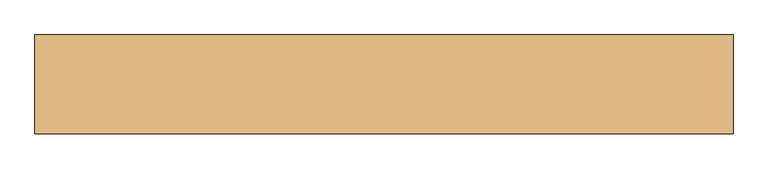
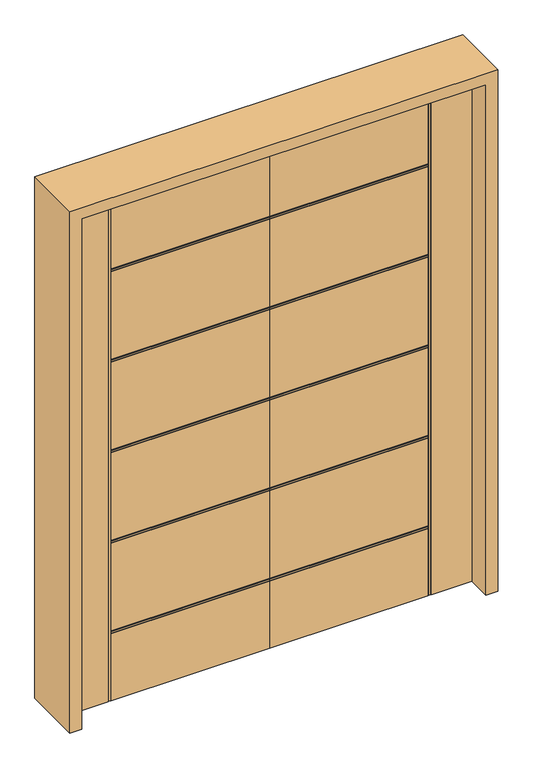
"""IFC4 building model written with IfcOpenShell, lengths in millimetres: door geometry."""

from ifc_helpers import new_model, si_unit, frame, origin, place, context, project, spatial, polyline, outline, extrude, faceted_brep, source, transform, mapped, element, save


def door_464bfd83(model_context):
    return source(origin(), model_context, "Body", "SolidModel", [
        faceted_brep([(0.0, -22.225, 0.0), (-596.9, -22.225, 0.0), (-596.9, -18.923, 0.0), (-600.202, -18.923, 0.0), (-600.202, -22.225, 0.0), (-606.298, -22.225, 0.0), (-606.298, -18.923, 0.0), (-609.6, -18.923, 0.0), (-609.6, -22.225, 0.0), (-762.0, -22.225, 0.0), (-762.0, 22.225, 0.0), (-609.6, 22.225, 0.0), (-609.6, 18.923, 0.0), (-606.298, 18.923, 0.0), (-606.298, 22.225, 0.0), (-600.202, 22.225, 0.0), (-600.202, 18.923, 0.0), (-596.9, 18.923, 0.0), (-596.9, 22.225, 0.0), (0.0, 22.225, 0.0), (0.0, -22.225, 2032.0), (0.0, -22.225, 1719.838), (0.0, -18.923, 1719.838), (0.0, -18.923, 1716.536), (0.0, -22.225, 1716.536), (0.0, -22.225, 1710.44), (0.0, -18.923, 1710.44), (0.0, -18.923, 1707.138), (0.0, -22.225, 1707.138), (0.0, -22.225, 1359.412), (0.0, -18.923, 1359.412), (0.0, -18.923, 1356.11), (0.0, -22.225, 1356.11), (0.0, -22.225, 1350.014), (0.0, -18.923, 1350.014), (0.0, -18.923, 1346.712), (0.0, -22.225, 1346.712), (0.0, -22.225, 998.986), (0.0, -18.923, 998.986), (0.0, -18.923, 995.684), (0.0, -22.225, 995.684), (0.0, -22.225, 989.588), (0.0, -18.923, 989.588), (0.0, -18.923, 986.286), (0.0, -22.225, 986.286), (0.0, -22.225, 638.56), (0.0, -18.923, 638.56), (0.0, -18.923, 635.258), (0.0, -22.225, 635.258), (0.0, -22.225, 629.162), (0.0, -18.923, 629.162), (0.0, -18.923, 625.86), (0.0, -22.225, 625.86), (0.0, -22.225, 278.134), (0.0, -18.923, 278.134), (0.0, -18.923, 274.832), (0.0, -22.225, 274.832), (0.0, -22.225, 268.736), (0.0, -18.923, 268.736), (0.0, -18.923, 265.434), (0.0, -22.225, 265.434), (0.0, 22.225, 265.434), (0.0, 18.923, 265.434), (0.0, 18.923, 268.736), (0.0, 22.225, 268.736), (0.0, 22.225, 274.832), (0.0, 18.923, 274.832), (0.0, 18.923, 278.134), (0.0, 22.225, 278.134), (0.0, 22.225, 625.86), (0.0, 18.923, 625.86), (0.0, 18.923, 629.162), (0.0, 22.225, 629.162), (0.0, 22.225, 635.258), (0.0, 18.923, 635.258), (0.0, 18.923, 638.56), (0.0, 22.225, 638.56), (0.0, 22.225, 986.286), (0.0, 18.923, 986.286), (0.0, 18.923, 989.588), (0.0, 22.225, 989.588), (0.0, 22.225, 995.684), (0.0, 18.923, 995.684), (0.0, 18.923, 998.986), (0.0, 22.225, 998.986), (0.0, 22.225, 1346.712), (0.0, 18.923, 1346.712), (0.0, 18.923, 1350.014), (0.0, 22.225, 1350.014), (0.0, 22.225, 1356.11), (0.0, 18.923, 1356.11), (0.0, 18.923, 1359.412), (0.0, 22.225, 1359.412), (0.0, 22.225, 1707.138), (0.0, 18.923, 1707.138), (0.0, 18.923, 1710.44), (0.0, 22.225, 1710.44), (0.0, 22.225, 1716.536), (0.0, 18.923, 1716.536), (0.0, 18.923, 1719.838), (0.0, 22.225, 1719.838), (0.0, 22.225, 2032.0), (-596.9, 22.225, 1719.838), (-596.9, 22.225, 2032.0), (-600.202, 22.225, 2032.0), (-606.298, 22.225, 2032.0), (-596.9, 22.225, 265.434), (-596.9, 22.225, 268.736), (-596.9, 22.225, 274.832), (-596.9, 22.225, 278.134), (-596.9, 22.225, 625.86), (-596.9, 22.225, 629.162), (-596.9, 22.225, 635.258), (-596.9, 22.225, 638.56), (-596.9, 22.225, 986.286), (-596.9, 22.225, 989.588), (-596.9, 22.225, 995.684), (-596.9, 22.225, 998.986), (-596.9, 22.225, 1346.712), (-596.9, 22.225, 1710.44), (-596.9, 22.225, 1716.536), (-596.9, 22.225, 1350.014), (-596.9, 22.225, 1356.11), (-596.9, 22.225, 1359.412), (-596.9, 22.225, 1707.138), (-762.0, 22.225, 2032.0), (-609.6, 22.225, 2032.0), (-762.0, -22.225, 2032.0), (-609.6, -22.225, 2032.0), (-596.9, -22.225, 265.434), (-606.298, -22.225, 2032.0), (-600.202, -22.225, 2032.0), (-596.9, -22.225, 274.832), (-596.9, -22.225, 268.736), (-596.9, -22.225, 625.86), (-596.9, -22.225, 278.134), (-596.9, -22.225, 635.258), (-596.9, -22.225, 629.162), (-596.9, -22.225, 986.286), (-596.9, -22.225, 638.56), (-596.9, -22.225, 995.684), (-596.9, -22.225, 989.588), (-596.9, -22.225, 2032.0), (-596.9, -22.225, 1719.838), (-596.9, -22.225, 1716.536), (-596.9, -22.225, 1710.44), (-596.9, -22.225, 1346.712), (-596.9, -22.225, 998.986), (-596.9, -22.225, 1356.11), (-596.9, -22.225, 1350.014), (-596.9, -22.225, 1707.138), (-596.9, -22.225, 1359.412), (-609.6, -18.923, 2032.0), (-606.298, -18.923, 2032.0), (-600.202, -18.923, 2032.0), (-596.9, -18.923, 2032.0), (-596.9, 18.923, 2032.0), (-600.202, 18.923, 2032.0), (-606.298, 18.923, 2032.0), (-609.6, 18.923, 2032.0), (-596.9, 18.923, 265.434), (-596.9, 18.923, 1719.838), (-596.9, 18.923, 1716.536), (-596.9, 18.923, 1710.44), (-596.9, 18.923, 1707.138), (-596.9, 18.923, 1359.412), (-596.9, 18.923, 1356.11), (-596.9, 18.923, 1350.014), (-596.9, 18.923, 1346.712), (-596.9, 18.923, 998.986), (-596.9, 18.923, 995.684), (-596.9, 18.923, 989.588), (-596.9, 18.923, 986.286), (-596.9, 18.923, 638.56), (-596.9, 18.923, 635.258), (-596.9, 18.923, 629.162), (-596.9, 18.923, 625.86), (-596.9, 18.923, 278.134), (-596.9, 18.923, 274.832), (-596.9, 18.923, 268.736), (-596.9, -18.923, 265.434), (-596.9, -18.923, 268.736), (-596.9, -18.923, 274.832), (-596.9, -18.923, 278.134), (-596.9, -18.923, 625.86), (-596.9, -18.923, 629.162), (-596.9, -18.923, 635.258), (-596.9, -18.923, 638.56), (-596.9, -18.923, 986.286), (-596.9, -18.923, 989.588), (-596.9, -18.923, 995.684), (-596.9, -18.923, 998.986), (-596.9, -18.923, 1346.712), (-596.9, -18.923, 1350.014), (-596.9, -18.923, 1356.11), (-596.9, -18.923, 1359.412), (-596.9, -18.923, 1707.138), (-596.9, -18.923, 1710.44), (-596.9, -18.923, 1716.536), (-596.9, -18.923, 1719.838)], [[[0, 1, 2, 3, 4, 5, 6, 7, 8, 9, 10, 11, 12, 13, 14, 15, 16, 17, 18, 19]], [[20, 21, 22, 23, 24, 25, 26, 27, 28, 29, 30, 31, 32, 33, 34, 35, 36, 37, 38, 39, 40, 41, 42, 43, 44, 45, 46, 47, 48, 49, 50, 51, 52, 53, 54, 55, 56, 57, 58, 59, 60, 0, 19, 61, 62, 63, 64, 65, 66, 67, 68, 69, 70, 71, 72, 73, 74, 75, 76, 77, 78, 79, 80, 81, 82, 83, 84, 85, 86, 87, 88, 89, 90, 91, 92, 93, 94, 95, 96, 97, 98, 99, 100, 101]], [[101, 100, 102, 103]], [[104, 15, 14, 105]], [[18, 106, 61, 19]], [[64, 107, 108, 65]], [[68, 109, 110, 69]], [[72, 111, 112, 73]], [[76, 113, 114, 77]], [[80, 115, 116, 81]], [[84, 117, 118, 85]], [[96, 119, 120, 97]], [[88, 121, 122, 89]], [[92, 123, 124, 93]], [[125, 126, 11, 10]], [[125, 10, 9, 127]], [[9, 8, 128, 127]], [[0, 60, 129, 1]], [[130, 5, 4, 131]], [[56, 132, 133, 57]], [[52, 134, 135, 53]], [[48, 136, 137, 49]], [[44, 138, 139, 45]], [[40, 140, 141, 41]], [[142, 143, 21, 20]], [[24, 144, 145, 25]], [[36, 146, 147, 37]], [[32, 148, 149, 33]], [[28, 150, 151, 29]], [[127, 128, 152, 153, 130, 131, 154, 155, 142, 20, 101, 103, 156, 157, 104, 105, 158, 159, 126, 125]], [[160, 106, 18, 17]], [[13, 12, 159, 158]], [[17, 16, 157, 156, 161, 99, 98, 162, 163, 95, 94, 164, 165, 91, 90, 166, 167, 87, 86, 168, 169, 83, 82, 170, 171, 79, 78, 172, 173, 75, 74, 174, 175, 71, 70, 176, 177, 67, 66, 178, 179, 63, 62, 160]], [[16, 15, 104, 157]], [[158, 105, 14, 13]], [[12, 11, 126, 159]], [[62, 61, 106, 160]], [[66, 65, 108, 178]], [[178, 108, 107, 179]], [[179, 107, 64, 63]], [[70, 69, 110, 176]], [[176, 110, 109, 177]], [[177, 109, 68, 67]], [[74, 73, 112, 174]], [[174, 112, 111, 175]], [[175, 111, 72, 71]], [[78, 77, 114, 172]], [[172, 114, 113, 173]], [[173, 113, 76, 75]], [[82, 81, 116, 170]], [[170, 116, 115, 171]], [[171, 115, 80, 79]], [[168, 118, 117, 169]], [[169, 117, 84, 83]], [[164, 124, 123, 165]], [[94, 93, 124, 164]], [[163, 119, 96, 95]], [[162, 120, 119, 163]], [[98, 97, 120, 162]], [[161, 102, 100, 99]], [[156, 103, 102, 161]], [[86, 85, 118, 168]], [[167, 121, 88, 87]], [[166, 122, 121, 167]], [[90, 89, 122, 166]], [[165, 123, 92, 91]], [[152, 128, 8, 7]], [[3, 2, 180, 59, 58, 181, 182, 55, 54, 183, 184, 51, 50, 185, 186, 47, 46, 187, 188, 43, 42, 189, 190, 39, 38, 191, 192, 35, 34, 193, 194, 31, 30, 195, 196, 27, 26, 197, 198, 23, 22, 199, 155, 154]], [[7, 6, 153, 152]], [[6, 5, 130, 153]], [[154, 131, 4, 3]], [[2, 1, 129, 180]], [[180, 129, 60, 59]], [[58, 57, 133, 181]], [[181, 133, 132, 182]], [[182, 132, 56, 55]], [[54, 53, 135, 183]], [[183, 135, 134, 184]], [[184, 134, 52, 51]], [[50, 49, 137, 185]], [[185, 137, 136, 186]], [[186, 136, 48, 47]], [[46, 45, 139, 187]], [[187, 139, 138, 188]], [[188, 138, 44, 43]], [[42, 41, 141, 189]], [[189, 141, 140, 190]], [[190, 140, 40, 39]], [[38, 37, 147, 191]], [[191, 147, 146, 192]], [[195, 151, 150, 196]], [[196, 150, 28, 27]], [[26, 25, 145, 197]], [[197, 145, 144, 198]], [[198, 144, 24, 23]], [[22, 21, 143, 199]], [[199, 143, 142, 155]], [[192, 146, 36, 35]], [[34, 33, 149, 193]], [[193, 149, 148, 194]], [[194, 148, 32, 31]], [[30, 29, 151, 195]]]),
        faceted_brep([(0.0, -22.225, 0.0), (0.0, 22.225, 0.0), (596.9, 22.225, 0.0), (596.9, 18.923, 0.0), (600.202, 18.923, 0.0), (600.202, 22.225, 0.0), (606.298, 22.225, 0.0), (606.298, 18.923, 0.0), (609.6, 18.923, 0.0), (609.6, 22.225, 0.0), (762.0, 22.225, 0.0), (762.0, -22.225, 0.0), (609.6, -22.225, 0.0), (609.6, -18.923, 0.0), (606.298, -18.923, 0.0), (606.298, -22.225, 0.0), (600.202, -22.225, 0.0), (600.202, -18.923, 0.0), (596.9, -18.923, 0.0), (596.9, -22.225, 0.0), (0.0, -22.225, 2032.0), (0.0, 22.225, 2032.0), (0.0, 22.225, 1719.838), (0.0, 18.923, 1719.838), (0.0, 18.923, 1716.536), (0.0, 22.225, 1716.536), (0.0, 22.225, 1710.44), (0.0, 18.923, 1710.44), (0.0, 18.923, 1707.138), (0.0, 22.225, 1707.138), (0.0, 22.225, 1359.412), (0.0, 18.923, 1359.412), (0.0, 18.923, 1356.11), (0.0, 22.225, 1356.11), (0.0, 22.225, 1350.014), (0.0, 18.923, 1350.014), (0.0, 18.923, 1346.712), (0.0, 22.225, 1346.712), (0.0, 22.225, 998.986), (0.0, 18.923, 998.986), (0.0, 18.923, 995.684), (0.0, 22.225, 995.684), (0.0, 22.225, 989.588), (0.0, 18.923, 989.588), (0.0, 18.923, 986.286), (0.0, 22.225, 986.286), (0.0, 22.225, 638.56), (0.0, 18.923, 638.56), (0.0, 18.923, 635.258), (0.0, 22.225, 635.258), (0.0, 22.225, 629.162), (0.0, 18.923, 629.162), (0.0, 18.923, 625.86), (0.0, 22.225, 625.86), (0.0, 22.225, 278.134), (0.0, 18.923, 278.134), (0.0, 18.923, 274.832), (0.0, 22.225, 274.832), (0.0, 22.225, 268.736), (0.0, 18.923, 268.736), (0.0, 18.923, 265.434), (0.0, 22.225, 265.434), (0.0, -22.225, 265.434), (0.0, -18.923, 265.434), (0.0, -18.923, 268.736), (0.0, -22.225, 268.736), (0.0, -22.225, 274.832), (0.0, -18.923, 274.832), (0.0, -18.923, 278.134), (0.0, -22.225, 278.134), (0.0, -22.225, 625.86), (0.0, -18.923, 625.86), (0.0, -18.923, 629.162), (0.0, -22.225, 629.162), (0.0, -22.225, 635.258), (0.0, -18.923, 635.258), (0.0, -18.923, 638.56), (0.0, -22.225, 638.56), (0.0, -22.225, 986.286), (0.0, -18.923, 986.286), (0.0, -18.923, 989.588), (0.0, -22.225, 989.588), (0.0, -22.225, 995.684), (0.0, -18.923, 995.684), (0.0, -18.923, 998.986), (0.0, -22.225, 998.986), (0.0, -22.225, 1346.712), (0.0, -18.923, 1346.712), (0.0, -18.923, 1350.014), (0.0, -22.225, 1350.014), (0.0, -22.225, 1356.11), (0.0, -18.923, 1356.11), (0.0, -18.923, 1359.412), (0.0, -22.225, 1359.412), (0.0, -22.225, 1707.138), (0.0, -18.923, 1707.138), (0.0, -18.923, 1710.44), (0.0, -22.225, 1710.44), (0.0, -22.225, 1716.536), (0.0, -18.923, 1716.536), (0.0, -18.923, 1719.838), (0.0, -22.225, 1719.838), (596.9, 22.225, 265.434), (596.9, 22.225, 1716.536), (596.9, 22.225, 1710.44), (596.9, 22.225, 1707.138), (596.9, 22.225, 1359.412), (596.9, 22.225, 1356.11), (596.9, 22.225, 1350.014), (596.9, 22.225, 1346.712), (596.9, 22.225, 998.986), (596.9, 22.225, 995.684), (596.9, 22.225, 989.588), (596.9, 22.225, 986.286), (596.9, 22.225, 638.56), (596.9, 22.225, 635.258), (596.9, 22.225, 629.162), (596.9, 22.225, 625.86), (596.9, 22.225, 278.134), (596.9, 22.225, 274.832), (596.9, 22.225, 268.736), (762.0, 22.225, 2032.0), (609.6, 22.225, 2032.0), (600.202, 22.225, 2032.0), (606.298, 22.225, 2032.0), (596.9, 22.225, 2032.0), (596.9, 22.225, 1719.838), (762.0, -22.225, 2032.0), (596.9, -22.225, 265.434), (609.6, -22.225, 2032.0), (596.9, -22.225, 268.736), (596.9, -22.225, 274.832), (596.9, -22.225, 278.134), (596.9, -22.225, 625.86), (596.9, -22.225, 629.162), (596.9, -22.225, 635.258), (596.9, -22.225, 638.56), (596.9, -22.225, 986.286), (596.9, -22.225, 989.588), (596.9, -22.225, 995.684), (596.9, -22.225, 998.986), (596.9, -22.225, 1346.712), (596.9, -22.225, 1710.44), (596.9, -22.225, 1716.536), (596.9, -22.225, 1350.014), (596.9, -22.225, 1356.11), (596.9, -22.225, 1359.412), (596.9, -22.225, 1707.138), (596.9, -22.225, 2032.0), (596.9, -22.225, 1719.838), (606.298, -22.225, 2032.0), (600.202, -22.225, 2032.0), (609.6, 18.923, 2032.0), (606.298, 18.923, 2032.0), (600.202, 18.923, 2032.0), (596.9, 18.923, 2032.0), (596.9, -18.923, 2032.0), (600.202, -18.923, 2032.0), (606.298, -18.923, 2032.0), (609.6, -18.923, 2032.0), (596.9, 18.923, 265.434), (596.9, 18.923, 268.736), (596.9, 18.923, 274.832), (596.9, 18.923, 278.134), (596.9, 18.923, 625.86), (596.9, 18.923, 629.162), (596.9, 18.923, 635.258), (596.9, 18.923, 638.56), (596.9, 18.923, 986.286), (596.9, 18.923, 989.588), (596.9, 18.923, 995.684), (596.9, 18.923, 998.986), (596.9, 18.923, 1346.712), (596.9, 18.923, 1350.014), (596.9, 18.923, 1356.11), (596.9, 18.923, 1359.412), (596.9, 18.923, 1707.138), (596.9, 18.923, 1710.44), (596.9, 18.923, 1716.536), (596.9, 18.923, 1719.838), (596.9, -18.923, 1719.838), (596.9, -18.923, 1716.536), (596.9, -18.923, 1710.44), (596.9, -18.923, 1707.138), (596.9, -18.923, 1359.412), (596.9, -18.923, 1356.11), (596.9, -18.923, 1350.014), (596.9, -18.923, 1346.712), (596.9, -18.923, 998.986), (596.9, -18.923, 995.684), (596.9, -18.923, 989.588), (596.9, -18.923, 986.286), (596.9, -18.923, 638.56), (596.9, -18.923, 635.258), (596.9, -18.923, 629.162), (596.9, -18.923, 625.86), (596.9, -18.923, 278.134), (596.9, -18.923, 274.832), (596.9, -18.923, 268.736), (596.9, -18.923, 265.434)], [[[0, 1, 2, 3, 4, 5, 6, 7, 8, 9, 10, 11, 12, 13, 14, 15, 16, 17, 18, 19]], [[20, 21, 22, 23, 24, 25, 26, 27, 28, 29, 30, 31, 32, 33, 34, 35, 36, 37, 38, 39, 40, 41, 42, 43, 44, 45, 46, 47, 48, 49, 50, 51, 52, 53, 54, 55, 56, 57, 58, 59, 60, 61, 1, 0, 62, 63, 64, 65, 66, 67, 68, 69, 70, 71, 72, 73, 74, 75, 76, 77, 78, 79, 80, 81, 82, 83, 84, 85, 86, 87, 88, 89, 90, 91, 92, 93, 94, 95, 96, 97, 98, 99, 100, 101]], [[2, 1, 61, 102]], [[26, 25, 103, 104]], [[30, 29, 105, 106]], [[34, 33, 107, 108]], [[38, 37, 109, 110]], [[42, 41, 111, 112]], [[46, 45, 113, 114]], [[50, 49, 115, 116]], [[54, 53, 117, 118]], [[58, 57, 119, 120]], [[121, 10, 9, 122]], [[123, 124, 6, 5]], [[21, 125, 126, 22]], [[121, 127, 11, 10]], [[0, 19, 128, 62]], [[11, 127, 129, 12]], [[66, 65, 130, 131]], [[70, 69, 132, 133]], [[74, 73, 134, 135]], [[78, 77, 136, 137]], [[82, 81, 138, 139]], [[86, 85, 140, 141]], [[98, 97, 142, 143]], [[90, 89, 144, 145]], [[94, 93, 146, 147]], [[148, 20, 101, 149]], [[150, 151, 16, 15]], [[127, 121, 122, 152, 153, 124, 123, 154, 155, 125, 21, 20, 148, 156, 157, 151, 150, 158, 159, 129]], [[160, 3, 2, 102]], [[3, 160, 60, 59, 161, 162, 56, 55, 163, 164, 52, 51, 165, 166, 48, 47, 167, 168, 44, 43, 169, 170, 40, 39, 171, 172, 36, 35, 173, 174, 32, 31, 175, 176, 28, 27, 177, 178, 24, 23, 179, 155, 154, 4]], [[7, 153, 152, 8]], [[4, 154, 123, 5]], [[153, 7, 6, 124]], [[8, 152, 122, 9]], [[60, 160, 102, 61]], [[56, 162, 119, 57]], [[162, 161, 120, 119]], [[161, 59, 58, 120]], [[52, 164, 117, 53]], [[164, 163, 118, 117]], [[163, 55, 54, 118]], [[48, 166, 115, 49]], [[166, 165, 116, 115]], [[165, 51, 50, 116]], [[44, 168, 113, 45]], [[168, 167, 114, 113]], [[167, 47, 46, 114]], [[40, 170, 111, 41]], [[170, 169, 112, 111]], [[169, 43, 42, 112]], [[172, 171, 110, 109]], [[171, 39, 38, 110]], [[176, 175, 106, 105]], [[28, 176, 105, 29]], [[177, 27, 26, 104]], [[178, 177, 104, 103]], [[24, 178, 103, 25]], [[179, 23, 22, 126]], [[155, 179, 126, 125]], [[36, 172, 109, 37]], [[173, 35, 34, 108]], [[174, 173, 108, 107]], [[32, 174, 107, 33]], [[175, 31, 30, 106]], [[159, 13, 12, 129]], [[13, 159, 158, 14]], [[17, 157, 156, 180, 100, 99, 181, 182, 96, 95, 183, 184, 92, 91, 185, 186, 88, 87, 187, 188, 84, 83, 189, 190, 80, 79, 191, 192, 76, 75, 193, 194, 72, 71, 195, 196, 68, 67, 197, 198, 64, 63, 199, 18]], [[14, 158, 150, 15]], [[157, 17, 16, 151]], [[18, 199, 128, 19]], [[199, 63, 62, 128]], [[64, 198, 130, 65]], [[198, 197, 131, 130]], [[197, 67, 66, 131]], [[68, 196, 132, 69]], [[196, 195, 133, 132]], [[195, 71, 70, 133]], [[72, 194, 134, 73]], [[194, 193, 135, 134]], [[193, 75, 74, 135]], [[76, 192, 136, 77]], [[192, 191, 137, 136]], [[191, 79, 78, 137]], [[80, 190, 138, 81]], [[190, 189, 139, 138]], [[189, 83, 82, 139]], [[84, 188, 140, 85]], [[188, 187, 141, 140]], [[184, 183, 147, 146]], [[183, 95, 94, 147]], [[96, 182, 142, 97]], [[182, 181, 143, 142]], [[181, 99, 98, 143]], [[100, 180, 149, 101]], [[180, 156, 148, 149]], [[187, 87, 86, 141]], [[88, 186, 144, 89]], [[186, 185, 145, 144]], [[185, 91, 90, 145]], [[92, 184, 146, 93]]]),
        extrude(outline(polyline([(0.0, -806.45), (0.0, -762.0), (2032.0, -762.0), (2032.0, 762.0), (0.0, 762.0), (0.0, 806.45), (2076.45, 806.45), (2076.45, -806.45), (0.0, -806.45)])), frame((0.0, -114.3, 0.0), z_axis=(0.0, 1.0, 0.0), x_axis=(0.0, 0.0, 1.0)), (0.0, 0.0, 1.0), 228.6),
    ])


if __name__ == "__main__":
    model = new_model("IFC4")
    model_context = context("Model", 3, world=origin())
    ifc_project = project(units=[si_unit("LENGTHUNIT", "METRE", prefix="MILLI")], contexts=[model_context])
    site = spatial("IfcSite", under=ifc_project)
    building = spatial("IfcBuilding", under=site)
    placement = place(None, origin())
    door_shape = door_464bfd83(model_context)
    element("IfcDoor", 1, at=placement, inside=building, context=model_context, shape_type="MappedRepresentation", body=[
        mapped(door_shape, transform((0.0, 0.0, 0.0), x_axis=(1.0, 0.0, 0.0), y_axis=(0.0, 1.0, 0.0), z_axis=(0.0, 0.0, 1.0))),
    ])
    save(model, "model.ifc")
